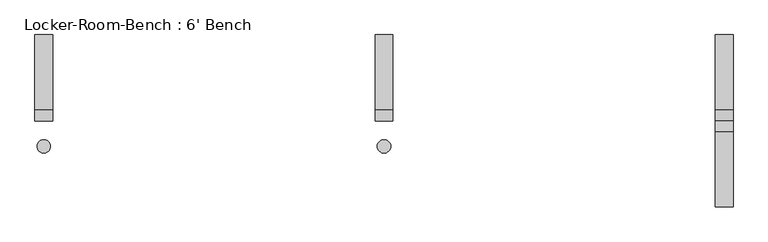
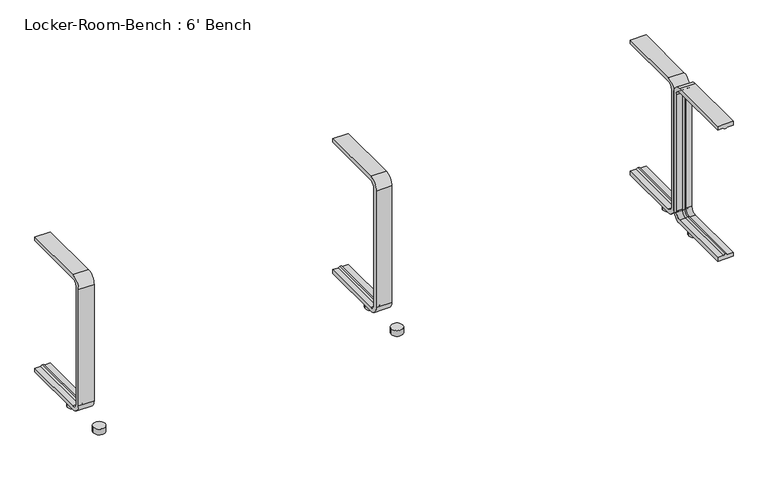
"""IFC4 building model written with IfcOpenShell, lengths in millimetres: proxy geometry, Locker-Room-Bench : 6' Bench."""

from ifc_helpers import new_model, si_unit, point, frame, frame_2d, origin, origin_with_axes, place, context, project, spatial, polyline, circle_curve, ellipse_curve, trimmed, segment, composite_curve, outline, extrude, source, transform, mapped, element, save
from ifc_brep_helpers import plane_surface, cylinder_surface, revolved_surface, advanced_brep


def locker_room_bench_6_bench_7943c223(model_context):
    return source(origin(), model_context, "Body", "SolidModel", [
        extrude(outline(composite_curve([segment(trimmed(circle_curve(frame_2d((764.4, -57.5)), 15.0), [point((749.4, -57.5))], [point((779.4, -57.5))], False, "CARTESIAN"), True, "CONTINUOUS"), segment(trimmed(circle_curve(frame_2d((764.4, -57.5)), 15.0), [point((779.4, -57.5))], [point((749.4, -57.5))], False, "CARTESIAN"), True, "CONTINUOUS")], self_intersect=False)), origin_with_axes(), (0.0, 0.0, 1.0), 15.0),
        extrude(outline(composite_curve([segment(trimmed(circle_curve(frame_2d((764.4, 57.5)), 15.0), [point((749.4, 57.5))], [point((779.4, 57.5))], False, "CARTESIAN"), True, "CONTINUOUS"), segment(trimmed(circle_curve(frame_2d((764.4, 57.5)), 15.0), [point((779.4, 57.5))], [point((749.4, 57.5))], False, "CARTESIAN"), True, "CONTINUOUS")], self_intersect=False)), origin_with_axes(), (0.0, 0.0, 1.0), 15.0),
        extrude(outline(composite_curve([segment(trimmed(circle_curve(frame_2d((0.0, -57.5)), 15.0), [point((-15.0, -57.5))], [point((15.0, -57.5))], False, "CARTESIAN"), True, "CONTINUOUS"), segment(trimmed(circle_curve(frame_2d((0.0, -57.5)), 15.0), [point((15.0, -57.5))], [point((-15.0, -57.5))], False, "CARTESIAN"), True, "CONTINUOUS")], self_intersect=False)), origin_with_axes(), (0.0, 0.0, 1.0), 15.0),
        extrude(outline(composite_curve([segment(trimmed(circle_curve(frame_2d((0.0, 57.5)), 15.0), [point((-15.0, 57.5))], [point((15.0, 57.5))], False, "CARTESIAN"), True, "CONTINUOUS"), segment(trimmed(circle_curve(frame_2d((0.0, 57.5)), 15.0), [point((15.0, 57.5))], [point((-15.0, 57.5))], False, "CARTESIAN"), True, "CONTINUOUS")], self_intersect=False)), origin_with_axes(), (0.0, 0.0, 1.0), 15.0),
        extrude(outline(composite_curve([segment(trimmed(circle_curve(frame_2d((-764.4, -57.5)), 15.0), [point((-779.4, -57.5))], [point((-749.4, -57.5))], False, "CARTESIAN"), True, "CONTINUOUS"), segment(trimmed(circle_curve(frame_2d((-764.4, -57.5)), 15.0), [point((-749.4, -57.5))], [point((-779.4, -57.5))], False, "CARTESIAN"), True, "CONTINUOUS")], self_intersect=False)), origin_with_axes(), (0.0, 0.0, 1.0), 15.0),
        extrude(outline(composite_curve([segment(trimmed(circle_curve(frame_2d((-764.4, 57.5)), 15.0), [point((-779.4, 57.5))], [point((-749.4, 57.5))], False, "CARTESIAN"), True, "CONTINUOUS"), segment(trimmed(circle_curve(frame_2d((-764.4, 57.5)), 15.0), [point((-749.4, 57.5))], [point((-779.4, 57.5))], False, "CARTESIAN"), True, "CONTINUOUS")], self_intersect=False)), origin_with_axes(), (0.0, 0.0, 1.0), 15.0),
        advanced_brep(
        [(784.4, 193.6, 381.4), (784.4, 193.6, 371.4), (769.4, 193.6, 371.4), (764.4, 193.6, 369.0684617), (759.4, 193.6, 371.4), (744.4, 193.6, 371.4), (744.4, 193.6, 381.4), (784.4, 25.0, 381.4), (784.4, 0.0, 356.4), (784.4, 0.0, 40.0), (784.4, 25.0, 15.0), (784.4, 193.6, 15.0), (784.4, 193.6, 25.0), (784.4, 25.0, 25.0), (784.4, 10.0, 40.0), (784.4, 10.0, 356.4), (784.4, 25.0, 371.4), (769.4, 25.0, 371.4), (764.4, 25.0, 369.0684617), (759.4, 25.0, 371.4), (744.4, 25.0, 371.4), (744.4, 10.0, 356.4), (744.4, 10.0, 40.0), (744.4, 25.0, 25.0), (744.4, 193.6, 25.0), (744.4, 193.6, 15.0), (744.4, 25.0, 15.0), (744.4, 0.0, 40.0), (744.4, 0.0, 356.4), (744.4, 25.0, 381.4), (769.4, 10.0, 356.4), (764.4, 12.3315383, 356.4), (759.4, 10.0, 356.4), (769.4, 10.0, 40.0), (764.4, 12.3315383, 40.0), (759.4, 10.0, 40.0), (769.4, 25.0, 25.0), (764.4, 25.0, 27.3315383), (759.4, 25.0, 25.0), (759.4, 193.6, 25.0), (764.4, 193.6, 27.3315383), (769.4, 193.6, 25.0)],
        [
            (0, 1),
            (1, 2),
            (2, 3, circle_curve(frame((764.6996409, 193.6, 374.9529162), z_axis=(0.0, 1.0, 0.0), x_axis=(0.0, 0.0, -1.0)), 5.8920785)),
            (3, 4, circle_curve(frame((764.1003591, 193.6, 374.9529162), z_axis=(0.0, 1.0, 0.0), x_axis=(0.0, 0.0, -1.0)), 5.8920785)),
            (4, 5),
            (5, 6),
            (6, 0),
            (0, 7),
            (7, 8, circle_curve(frame((784.4, 25.0, 356.4), z_axis=(1.0, 0.0, 0.0), x_axis=(0.0, 0.0, 1.0)), 25.0)),
            (8, 9),
            (9, 10, circle_curve(frame((784.4, 25.0, 40.0), z_axis=(1.0, 0.0, 0.0), x_axis=(0.0, -1.0, 0.0)), 25.0)),
            (10, 11),
            (11, 12),
            (12, 13),
            (13, 14, circle_curve(frame((784.4, 25.0, 40.0), z_axis=(-1.0, 0.0, 0.0), x_axis=(0.0, -1.0, 0.0)), 15.0)),
            (14, 15),
            (15, 16, circle_curve(frame((784.4, 25.0, 356.4), z_axis=(-1.0, 0.0, 0.0), x_axis=(0.0, 0.0, 1.0)), 15.0)),
            (16, 1),
            (16, 17),
            (17, 2),
            (17, 18, circle_curve(frame((764.6996409, 25.0, 374.9529162), z_axis=(0.0, 1.0, 0.0), x_axis=(0.0, 0.0, -1.0)), 5.8920785)),
            (18, 3),
            (18, 19, circle_curve(frame((764.1003591, 25.0, 374.9529162), z_axis=(0.0, 1.0, 0.0), x_axis=(0.0, 0.0, -1.0)), 5.8920785)),
            (19, 4),
            (19, 20),
            (20, 5),
            (20, 21, circle_curve(frame((744.4, 25.0, 356.4), z_axis=(1.0, 0.0, 0.0), x_axis=(0.0, 0.0, 1.0)), 15.0)),
            (21, 22),
            (22, 23, circle_curve(frame((744.4, 25.0, 40.0), z_axis=(1.0, 0.0, 0.0), x_axis=(0.0, -1.0, 0.0)), 15.0)),
            (23, 24),
            (24, 25),
            (25, 26),
            (26, 27, circle_curve(frame((744.4, 25.0, 40.0), z_axis=(-1.0, 0.0, 0.0), x_axis=(0.0, -1.0, 0.0)), 25.0)),
            (27, 28),
            (28, 29, circle_curve(frame((744.4, 25.0, 356.4), z_axis=(-1.0, 0.0, 0.0), x_axis=(0.0, 0.0, 1.0)), 25.0)),
            (29, 6),
            (29, 7),
            (30, 17, circle_curve(frame((769.4, 25.0, 356.4), z_axis=(-1.0, 0.0, 0.0), x_axis=(0.0, 0.0, 1.0)), 15.0)),
            (15, 30),
            (31, 18, circle_curve(frame((764.4, 25.0, 356.4), z_axis=(-1.0, 0.0, 0.0), x_axis=(0.0, 0.0, 1.0)), 12.6684617)),
            (30, 31, circle_curve(frame((764.6996409, 6.4470838, 356.4), z_axis=(0.0, 0.0, 1.0), x_axis=(0.0, 1.0, 0.0)), 5.8920785)),
            (32, 19, circle_curve(frame((759.4, 25.0, 356.4), z_axis=(-1.0, 0.0, 0.0), x_axis=(0.0, 0.0, 1.0)), 15.0)),
            (31, 32, circle_curve(frame((764.1003591, 6.4470838, 356.4), z_axis=(0.0, 0.0, 1.0), x_axis=(0.0, 1.0, 0.0)), 5.8920785)),
            (32, 21),
            (28, 8),
            (14, 33),
            (33, 30),
            (33, 34, circle_curve(frame((764.6996409, 6.4470838, 40.0), z_axis=(0.0, 0.0, 1.0), x_axis=(0.0, 1.0, 0.0)), 5.8920785)),
            (34, 31),
            (34, 35, circle_curve(frame((764.1003591, 6.4470838, 40.0), z_axis=(0.0, 0.0, 1.0), x_axis=(0.0, 1.0, 0.0)), 5.8920785)),
            (35, 32),
            (35, 22),
            (27, 9),
            (36, 33, circle_curve(frame((769.4, 25.0, 40.0), z_axis=(-1.0, 0.0, 0.0), x_axis=(0.0, -1.0, 0.0)), 15.0)),
            (13, 36),
            (37, 34, circle_curve(frame((764.4, 25.0, 40.0), z_axis=(-1.0, 0.0, 0.0), x_axis=(0.0, -1.0, 0.0)), 12.6684617)),
            (36, 37, circle_curve(frame((764.6996409, 25.0, 21.4470838), z_axis=(0.0, -1.0, 0.0), x_axis=(0.0, 0.0, 1.0)), 5.8920785)),
            (38, 35, circle_curve(frame((759.4, 25.0, 40.0), z_axis=(-1.0, 0.0, 0.0), x_axis=(0.0, -1.0, 0.0)), 15.0)),
            (37, 38, circle_curve(frame((764.1003591, 25.0, 21.4470838), z_axis=(0.0, -1.0, 0.0), x_axis=(0.0, 0.0, 1.0)), 5.8920785)),
            (38, 23),
            (26, 10),
            (11, 25),
            (24, 39),
            (39, 40, circle_curve(frame((764.1003591, 193.6, 21.4470838), z_axis=(0.0, 1.0, 0.0), x_axis=(0.0, 0.0, 1.0)), 5.8920785)),
            (40, 41, circle_curve(frame((764.6996409, 193.6, 21.4470838), z_axis=(0.0, 1.0, 0.0), x_axis=(0.0, 0.0, 1.0)), 5.8920785)),
            (41, 12),
            (41, 36),
            (40, 37),
            (39, 38),
        ],
        [
            plane_surface(frame((764.4, 193.6, 381.4), z_axis=(0.0, 1.0, 0.0), x_axis=(1.0, 0.0, 0.0))),
            plane_surface(frame((784.4, 193.6, 381.4), z_axis=(1.0, 0.0, 0.0), x_axis=(0.0, -1.0, 0.0))),
            plane_surface(frame((784.4, 193.6, 371.4), z_axis=(0.0, 0.0, -1.0), x_axis=(0.0, -1.0, 0.0))),
            cylinder_surface(frame((764.6996409, 193.6, 374.9529162), z_axis=(0.0, 1.0, 0.0), x_axis=(0.0, 0.0, -1.0)), 5.8920785),
            cylinder_surface(frame((764.1003591, 193.6, 374.9529162), z_axis=(0.0, 1.0, 0.0), x_axis=(0.0, 0.0, -1.0)), 5.8920785),
            plane_surface(frame((759.4, 193.6, 371.4), z_axis=(0.0, 0.0, -1.0), x_axis=(0.0, -1.0, 0.0))),
            plane_surface(frame((744.4, 193.6, 371.4), z_axis=(-1.0, 0.0, 0.0), x_axis=(0.0, -1.0, 0.0))),
            plane_surface(frame((744.4, 193.6, 381.4), z_axis=(0.0, 0.0, 1.0), x_axis=(0.0, -1.0, 0.0))),
            revolved_surface(polyline([(784.4, 25.0, 371.4), (769.4, 25.0, 371.4)]), (764.4, 25.0, 356.4), (1.0, 0.0, 0.0)),
            revolved_surface(trimmed(ellipse_curve(frame((764.6996409, 25.0, 374.9529162), z_axis=(0.0, 1.0, 0.0), x_axis=(0.0, 0.0, -1.0)), 5.8920785, 5.8920785), [point((769.4, 25.0, 371.4))], [point((764.4, 25.0, 369.0684617))], True, "CARTESIAN"), (764.4, 25.0, 356.4), (1.0, 0.0, 0.0)),
            revolved_surface(trimmed(ellipse_curve(frame((764.1003591, 25.0, 374.9529162), z_axis=(0.0, 1.0, 0.0), x_axis=(0.0, 0.0, -1.0)), 5.8920785, 5.8920785), [point((764.4, 25.0, 369.0684617))], [point((759.4, 25.0, 371.4))], True, "CARTESIAN"), (764.4, 25.0, 356.4), (1.0, 0.0, 0.0)),
            revolved_surface(polyline([(759.4, 25.0, 371.4), (744.4, 25.0, 371.4)]), (764.4, 25.0, 356.4), (1.0, 0.0, 0.0)),
            cylinder_surface(frame((764.4, 25.0, 356.4), z_axis=(1.0, 0.0, 0.0), x_axis=(0.0, 0.0, 1.0)), 25.0),
            plane_surface(frame((784.4, 10.0, 356.4), z_axis=(0.0, 1.0, 0.0), x_axis=(0.0, 0.0, -1.0))),
            cylinder_surface(frame((764.6996409, 6.4470838, 356.4), z_axis=(0.0, 0.0, 1.0), x_axis=(0.0, 1.0, 0.0)), 5.8920785),
            cylinder_surface(frame((764.1003591, 6.4470838, 356.4), z_axis=(0.0, 0.0, 1.0), x_axis=(0.0, 1.0, 0.0)), 5.8920785),
            plane_surface(frame((759.4, 10.0, 356.4), z_axis=(0.0, 1.0, 0.0), x_axis=(0.0, 0.0, -1.0))),
            plane_surface(frame((744.4, 0.0, 356.4), z_axis=(0.0, -1.0, 0.0), x_axis=(0.0, 0.0, -1.0))),
            revolved_surface(polyline([(784.4, 10.0, 40.0), (769.4, 10.0, 40.0)]), (764.4, 25.0, 40.0), (1.0, 0.0, 0.0)),
            revolved_surface(trimmed(ellipse_curve(frame((764.6996409, 6.4470838, 40.0), z_axis=(0.0, 0.0, 1.0), x_axis=(0.0, 1.0, 0.0)), 5.8920785, 5.8920785), [point((769.4, 10.0, 40.0))], [point((764.4, 12.3315383, 40.0))], True, "CARTESIAN"), (764.4, 25.0, 40.0), (1.0, 0.0, 0.0)),
            revolved_surface(trimmed(ellipse_curve(frame((764.1003591, 6.4470838, 40.0), z_axis=(0.0, 0.0, 1.0), x_axis=(0.0, 1.0, 0.0)), 5.8920785, 5.8920785), [point((764.4, 12.3315383, 40.0))], [point((759.4, 10.0, 40.0))], True, "CARTESIAN"), (764.4, 25.0, 40.0), (1.0, 0.0, 0.0)),
            revolved_surface(polyline([(759.4, 10.0, 40.0), (744.4, 10.0, 40.0)]), (764.4, 25.0, 40.0), (1.0, 0.0, 0.0)),
            cylinder_surface(frame((764.4, 25.0, 40.0), z_axis=(1.0, 0.0, 0.0), x_axis=(0.0, -1.0, 0.0)), 25.0),
            plane_surface(frame((764.4, 193.6, 15.0), z_axis=(0.0, 1.0, 0.0), x_axis=(1.0, 0.0, 0.0))),
            plane_surface(frame((784.4, 25.0, 25.0), z_axis=(0.0, 0.0, 1.0), x_axis=(0.0, 1.0, 0.0))),
            cylinder_surface(frame((764.6996409, 25.0, 21.4470838), z_axis=(0.0, -1.0, 0.0), x_axis=(0.0, 0.0, 1.0)), 5.8920785),
            cylinder_surface(frame((764.1003591, 25.0, 21.4470838), z_axis=(0.0, -1.0, 0.0), x_axis=(0.0, 0.0, 1.0)), 5.8920785),
            plane_surface(frame((759.4, 25.0, 25.0), z_axis=(0.0, 0.0, 1.0), x_axis=(0.0, 1.0, 0.0))),
            plane_surface(frame((744.4, 25.0, 15.0), z_axis=(0.0, 0.0, -1.0), x_axis=(0.0, 1.0, 0.0))),
        ],
        [
            (0, [[1, 2, 3, 4, 5, 6, 7]]),
            (1, [[-1, 8, 9, 10, 11, 12, 13, 14, 15, 16, 17, 18]]),
            (2, [[-2, -18, 19, 20]]),
            (3, [[-3, -20, 21, 22]]),
            (4, [[-4, -22, 23, 24]]),
            (5, [[-5, -24, 25, 26]]),
            (6, [[-6, -26, 27, 28, 29, 30, 31, 32, 33, 34, 35, 36]]),
            (7, [[-7, -36, 37, -8]]),
            (8, [[38, -19, -17, 39]]),
            (9, [[40, -21, -38, 41]]),
            (10, [[42, -23, -40, 43]]),
            (11, [[-27, -25, -42, 44]]),
            (12, [[-9, -37, -35, 45]]),
            (13, [[-39, -16, 46, 47]]),
            (14, [[-41, -47, 48, 49]]),
            (15, [[-43, -49, 50, 51]]),
            (16, [[-44, -51, 52, -28]]),
            (17, [[-45, -34, 53, -10]]),
            (18, [[54, -46, -15, 55]]),
            (19, [[56, -48, -54, 57]]),
            (20, [[58, -50, -56, 59]]),
            (21, [[-29, -52, -58, 60]]),
            (22, [[-11, -53, -33, 61]]),
            (23, [[62, -31, 63, 64, 65, 66, -13]]),
            (24, [[-55, -14, -66, 67]]),
            (25, [[-57, -67, -65, 68]]),
            (26, [[-59, -68, -64, 69]]),
            (27, [[-60, -69, -63, -30]]),
            (28, [[-61, -32, -62, -12]]),
        ],
    ),
        advanced_brep(
        [(20.0, 193.6, 381.4), (20.0, 193.6, 371.4), (5.0, 193.6, 371.4), (0.0, 193.6, 369.0684617), (-5.0, 193.6, 371.4), (-20.0, 193.6, 371.4), (-20.0, 193.6, 381.4), (20.0, 25.0, 381.4), (20.0, 0.0, 356.4), (20.0, 0.0, 40.0), (20.0, 25.0, 15.0), (20.0, 193.6, 15.0), (20.0, 193.6, 25.0), (20.0, 25.0, 25.0), (20.0, 10.0, 40.0), (20.0, 10.0, 356.4), (20.0, 25.0, 371.4), (5.0, 25.0, 371.4), (0.0, 25.0, 369.0684617), (-5.0, 25.0, 371.4), (-20.0, 25.0, 371.4), (-20.0, 10.0, 356.4), (-20.0, 10.0, 40.0), (-20.0, 25.0, 25.0), (-20.0, 193.6, 25.0), (-20.0, 193.6, 15.0), (-20.0, 25.0, 15.0), (-20.0, 0.0, 40.0), (-20.0, 0.0, 356.4), (-20.0, 25.0, 381.4), (5.0, 10.0, 356.4), (0.0, 12.3315383, 356.4), (-5.0, 10.0, 356.4), (5.0, 10.0, 40.0), (0.0, 12.3315383, 40.0), (-5.0, 10.0, 40.0), (5.0, 25.0, 25.0), (0.0, 25.0, 27.3315383), (-5.0, 25.0, 25.0), (-5.0, 193.6, 25.0), (0.0, 193.6, 27.3315383), (5.0, 193.6, 25.0)],
        [
            (0, 1),
            (1, 2),
            (2, 3, circle_curve(frame((0.2996409, 193.6, 374.9529162), z_axis=(0.0, 1.0, 0.0), x_axis=(0.0, 0.0, -1.0)), 5.8920785)),
            (3, 4, circle_curve(frame((-0.2996409, 193.6, 374.9529162), z_axis=(0.0, 1.0, 0.0), x_axis=(0.0, 0.0, -1.0)), 5.8920785)),
            (4, 5),
            (5, 6),
            (6, 0),
            (0, 7),
            (7, 8, circle_curve(frame((20.0, 25.0, 356.4), z_axis=(1.0, 0.0, 0.0), x_axis=(0.0, 0.0, 1.0)), 25.0)),
            (8, 9),
            (9, 10, circle_curve(frame((20.0, 25.0, 40.0), z_axis=(1.0, 0.0, 0.0), x_axis=(0.0, -1.0, 0.0)), 25.0)),
            (10, 11),
            (11, 12),
            (12, 13),
            (13, 14, circle_curve(frame((20.0, 25.0, 40.0), z_axis=(-1.0, 0.0, 0.0), x_axis=(0.0, -1.0, 0.0)), 15.0)),
            (14, 15),
            (15, 16, circle_curve(frame((20.0, 25.0, 356.4), z_axis=(-1.0, 0.0, 0.0), x_axis=(0.0, 0.0, 1.0)), 15.0)),
            (16, 1),
            (16, 17),
            (17, 2),
            (17, 18, circle_curve(frame((0.2996409, 25.0, 374.9529162), z_axis=(0.0, 1.0, 0.0), x_axis=(0.0, 0.0, -1.0)), 5.8920785)),
            (18, 3),
            (18, 19, circle_curve(frame((-0.2996409, 25.0, 374.9529162), z_axis=(0.0, 1.0, 0.0), x_axis=(0.0, 0.0, -1.0)), 5.8920785)),
            (19, 4),
            (19, 20),
            (20, 5),
            (20, 21, circle_curve(frame((-20.0, 25.0, 356.4), z_axis=(1.0, 0.0, 0.0), x_axis=(0.0, 0.0, 1.0)), 15.0)),
            (21, 22),
            (22, 23, circle_curve(frame((-20.0, 25.0, 40.0), z_axis=(1.0, 0.0, 0.0), x_axis=(0.0, -1.0, 0.0)), 15.0)),
            (23, 24),
            (24, 25),
            (25, 26),
            (26, 27, circle_curve(frame((-20.0, 25.0, 40.0), z_axis=(-1.0, 0.0, 0.0), x_axis=(0.0, -1.0, 0.0)), 25.0)),
            (27, 28),
            (28, 29, circle_curve(frame((-20.0, 25.0, 356.4), z_axis=(-1.0, 0.0, 0.0), x_axis=(0.0, 0.0, 1.0)), 25.0)),
            (29, 6),
            (29, 7),
            (30, 17, circle_curve(frame((5.0, 25.0, 356.4), z_axis=(-1.0, 0.0, 0.0), x_axis=(0.0, 0.0, 1.0)), 15.0)),
            (15, 30),
            (31, 18, circle_curve(frame((0.0, 25.0, 356.4), z_axis=(-1.0, 0.0, 0.0), x_axis=(0.0, 0.0, 1.0)), 12.6684617)),
            (30, 31, circle_curve(frame((0.2996409, 6.4470838, 356.4), z_axis=(0.0, 0.0, 1.0), x_axis=(0.0, 1.0, 0.0)), 5.8920785)),
            (32, 19, circle_curve(frame((-5.0, 25.0, 356.4), z_axis=(-1.0, 0.0, 0.0), x_axis=(0.0, 0.0, 1.0)), 15.0)),
            (31, 32, circle_curve(frame((-0.2996409, 6.4470838, 356.4), z_axis=(0.0, 0.0, 1.0), x_axis=(0.0, 1.0, 0.0)), 5.8920785)),
            (32, 21),
            (28, 8),
            (14, 33),
            (33, 30),
            (33, 34, circle_curve(frame((0.2996409, 6.4470838, 40.0), z_axis=(0.0, 0.0, 1.0), x_axis=(0.0, 1.0, 0.0)), 5.8920785)),
            (34, 31),
            (34, 35, circle_curve(frame((-0.2996409, 6.4470838, 40.0), z_axis=(0.0, 0.0, 1.0), x_axis=(0.0, 1.0, 0.0)), 5.8920785)),
            (35, 32),
            (35, 22),
            (27, 9),
            (36, 33, circle_curve(frame((5.0, 25.0, 40.0), z_axis=(-1.0, 0.0, 0.0), x_axis=(0.0, -1.0, 0.0)), 15.0)),
            (13, 36),
            (37, 34, circle_curve(frame((0.0, 25.0, 40.0), z_axis=(-1.0, 0.0, 0.0), x_axis=(0.0, -1.0, 0.0)), 12.6684617)),
            (36, 37, circle_curve(frame((0.2996409, 25.0, 21.4470838), z_axis=(0.0, -1.0, 0.0), x_axis=(0.0, 0.0, 1.0)), 5.8920785)),
            (38, 35, circle_curve(frame((-5.0, 25.0, 40.0), z_axis=(-1.0, 0.0, 0.0), x_axis=(0.0, -1.0, 0.0)), 15.0)),
            (37, 38, circle_curve(frame((-0.2996409, 25.0, 21.4470838), z_axis=(0.0, -1.0, 0.0), x_axis=(0.0, 0.0, 1.0)), 5.8920785)),
            (38, 23),
            (26, 10),
            (11, 25),
            (24, 39),
            (39, 40, circle_curve(frame((-0.2996409, 193.6, 21.4470838), z_axis=(0.0, 1.0, 0.0), x_axis=(0.0, 0.0, 1.0)), 5.8920785)),
            (40, 41, circle_curve(frame((0.2996409, 193.6, 21.4470838), z_axis=(0.0, 1.0, 0.0), x_axis=(0.0, 0.0, 1.0)), 5.8920785)),
            (41, 12),
            (41, 36),
            (40, 37),
            (39, 38),
        ],
        [
            plane_surface(frame((0.0, 193.6, 381.4), z_axis=(0.0, 1.0, 0.0), x_axis=(1.0, 0.0, 0.0))),
            plane_surface(frame((20.0, 193.6, 381.4), z_axis=(1.0, 0.0, 0.0), x_axis=(0.0, -1.0, 0.0))),
            plane_surface(frame((20.0, 193.6, 371.4), z_axis=(0.0, 0.0, -1.0), x_axis=(0.0, -1.0, 0.0))),
            cylinder_surface(frame((0.2996409, 193.6, 374.9529162), z_axis=(0.0, 1.0, 0.0), x_axis=(0.0, 0.0, -1.0)), 5.8920785),
            cylinder_surface(frame((-0.2996409, 193.6, 374.9529162), z_axis=(0.0, 1.0, 0.0), x_axis=(0.0, 0.0, -1.0)), 5.8920785),
            plane_surface(frame((-5.0, 193.6, 371.4), z_axis=(0.0, 0.0, -1.0), x_axis=(0.0, -1.0, 0.0))),
            plane_surface(frame((-20.0, 193.6, 371.4), z_axis=(-1.0, 0.0, 0.0), x_axis=(0.0, -1.0, 0.0))),
            plane_surface(frame((-20.0, 193.6, 381.4), z_axis=(0.0, 0.0, 1.0), x_axis=(0.0, -1.0, 0.0))),
            revolved_surface(polyline([(20.0, 25.0, 371.4), (5.0, 25.0, 371.4)]), (0.0, 25.0, 356.4), (1.0, 0.0, 0.0)),
            revolved_surface(trimmed(ellipse_curve(frame((0.2996409, 25.0, 374.9529162), z_axis=(0.0, 1.0, 0.0), x_axis=(0.0, 0.0, -1.0)), 5.8920785, 5.8920785), [point((5.0, 25.0, 371.4))], [point((0.0, 25.0, 369.0684617))], True, "CARTESIAN"), (0.0, 25.0, 356.4), (1.0, 0.0, 0.0)),
            revolved_surface(trimmed(ellipse_curve(frame((-0.2996409, 25.0, 374.9529162), z_axis=(0.0, 1.0, 0.0), x_axis=(0.0, 0.0, -1.0)), 5.8920785, 5.8920785), [point((0.0, 25.0, 369.0684617))], [point((-5.0, 25.0, 371.4))], True, "CARTESIAN"), (0.0, 25.0, 356.4), (1.0, 0.0, 0.0)),
            revolved_surface(polyline([(-5.0, 25.0, 371.4), (-20.0, 25.0, 371.4)]), (0.0, 25.0, 356.4), (1.0, 0.0, 0.0)),
            cylinder_surface(frame((0.0, 25.0, 356.4), z_axis=(1.0, 0.0, 0.0), x_axis=(0.0, 0.0, 1.0)), 25.0),
            plane_surface(frame((20.0, 10.0, 356.4), z_axis=(0.0, 1.0, 0.0), x_axis=(0.0, 0.0, -1.0))),
            cylinder_surface(frame((0.2996409, 6.4470838, 356.4), z_axis=(0.0, 0.0, 1.0), x_axis=(0.0, 1.0, 0.0)), 5.8920785),
            cylinder_surface(frame((-0.2996409, 6.4470838, 356.4), z_axis=(0.0, 0.0, 1.0), x_axis=(0.0, 1.0, 0.0)), 5.8920785),
            plane_surface(frame((-5.0, 10.0, 356.4), z_axis=(0.0, 1.0, 0.0), x_axis=(0.0, 0.0, -1.0))),
            plane_surface(frame((-20.0, 0.0, 356.4), z_axis=(0.0, -1.0, 0.0), x_axis=(0.0, 0.0, -1.0))),
            revolved_surface(polyline([(20.0, 10.0, 40.0), (5.0, 10.0, 40.0)]), (0.0, 25.0, 40.0), (1.0, 0.0, 0.0)),
            revolved_surface(trimmed(ellipse_curve(frame((0.2996409, 6.4470838, 40.0), z_axis=(0.0, 0.0, 1.0), x_axis=(0.0, 1.0, 0.0)), 5.8920785, 5.8920785), [point((5.0, 10.0, 40.0))], [point((0.0, 12.3315383, 40.0))], True, "CARTESIAN"), (0.0, 25.0, 40.0), (1.0, 0.0, 0.0)),
            revolved_surface(trimmed(ellipse_curve(frame((-0.2996409, 6.4470838, 40.0), z_axis=(0.0, 0.0, 1.0), x_axis=(0.0, 1.0, 0.0)), 5.8920785, 5.8920785), [point((0.0, 12.3315383, 40.0))], [point((-5.0, 10.0, 40.0))], True, "CARTESIAN"), (0.0, 25.0, 40.0), (1.0, 0.0, 0.0)),
            revolved_surface(polyline([(-5.0, 10.0, 40.0), (-20.0, 10.0, 40.0)]), (0.0, 25.0, 40.0), (1.0, 0.0, 0.0)),
            cylinder_surface(frame((0.0, 25.0, 40.0), z_axis=(1.0, 0.0, 0.0), x_axis=(0.0, -1.0, 0.0)), 25.0),
            plane_surface(frame((0.0, 193.6, 15.0), z_axis=(0.0, 1.0, 0.0), x_axis=(1.0, 0.0, 0.0))),
            plane_surface(frame((20.0, 25.0, 25.0), z_axis=(0.0, 0.0, 1.0), x_axis=(0.0, 1.0, 0.0))),
            cylinder_surface(frame((0.2996409, 25.0, 21.4470838), z_axis=(0.0, -1.0, 0.0), x_axis=(0.0, 0.0, 1.0)), 5.8920785),
            cylinder_surface(frame((-0.2996409, 25.0, 21.4470838), z_axis=(0.0, -1.0, 0.0), x_axis=(0.0, 0.0, 1.0)), 5.8920785),
            plane_surface(frame((-5.0, 25.0, 25.0), z_axis=(0.0, 0.0, 1.0), x_axis=(0.0, 1.0, 0.0))),
            plane_surface(frame((-20.0, 25.0, 15.0), z_axis=(0.0, 0.0, -1.0), x_axis=(0.0, 1.0, 0.0))),
        ],
        [
            (0, [[1, 2, 3, 4, 5, 6, 7]]),
            (1, [[-1, 8, 9, 10, 11, 12, 13, 14, 15, 16, 17, 18]]),
            (2, [[-2, -18, 19, 20]]),
            (3, [[-3, -20, 21, 22]]),
            (4, [[-4, -22, 23, 24]]),
            (5, [[-5, -24, 25, 26]]),
            (6, [[-6, -26, 27, 28, 29, 30, 31, 32, 33, 34, 35, 36]]),
            (7, [[-7, -36, 37, -8]]),
            (8, [[38, -19, -17, 39]]),
            (9, [[40, -21, -38, 41]]),
            (10, [[42, -23, -40, 43]]),
            (11, [[-27, -25, -42, 44]]),
            (12, [[-9, -37, -35, 45]]),
            (13, [[-39, -16, 46, 47]]),
            (14, [[-41, -47, 48, 49]]),
            (15, [[-43, -49, 50, 51]]),
            (16, [[-44, -51, 52, -28]]),
            (17, [[-45, -34, 53, -10]]),
            (18, [[54, -46, -15, 55]]),
            (19, [[56, -48, -54, 57]]),
            (20, [[58, -50, -56, 59]]),
            (21, [[-29, -52, -58, 60]]),
            (22, [[-11, -53, -33, 61]]),
            (23, [[62, -31, 63, 64, 65, 66, -13]]),
            (24, [[-55, -14, -66, 67]]),
            (25, [[-57, -67, -65, 68]]),
            (26, [[-59, -68, -64, 69]]),
            (27, [[-60, -69, -63, -30]]),
            (28, [[-61, -32, -62, -12]]),
        ],
    ),
        advanced_brep(
        [(-744.4, 193.6, 381.4), (-744.4, 193.6, 371.4), (-759.4, 193.6, 371.4), (-764.4, 193.6, 369.0684617), (-769.4, 193.6, 371.4), (-784.4, 193.6, 371.4), (-784.4, 193.6, 381.4), (-744.4, 25.0, 381.4), (-744.4, 0.0, 356.4), (-744.4, 0.0, 40.0), (-744.4, 25.0, 15.0), (-744.4, 193.6, 15.0), (-744.4, 193.6, 25.0), (-744.4, 25.0, 25.0), (-744.4, 10.0, 40.0), (-744.4, 10.0, 356.4), (-744.4, 25.0, 371.4), (-759.4, 25.0, 371.4), (-764.4, 25.0, 369.0684617), (-769.4, 25.0, 371.4), (-784.4, 25.0, 371.4), (-784.4, 10.0, 356.4), (-784.4, 10.0, 40.0), (-784.4, 25.0, 25.0), (-784.4, 193.6, 25.0), (-784.4, 193.6, 15.0), (-784.4, 25.0, 15.0), (-784.4, 0.0, 40.0), (-784.4, 0.0, 356.4), (-784.4, 25.0, 381.4), (-759.4, 10.0, 356.4), (-764.4, 12.3315383, 356.4), (-769.4, 10.0, 356.4), (-759.4, 10.0, 40.0), (-764.4, 12.3315383, 40.0), (-769.4, 10.0, 40.0), (-759.4, 25.0, 25.0), (-764.4, 25.0, 27.3315383), (-769.4, 25.0, 25.0), (-769.4, 193.6, 25.0), (-764.4, 193.6, 27.3315383), (-759.4, 193.6, 25.0)],
        [
            (0, 1),
            (1, 2),
            (2, 3, circle_curve(frame((-764.1003591, 193.6, 374.9529162), z_axis=(0.0, 1.0, 0.0), x_axis=(0.0, 0.0, -1.0)), 5.8920785)),
            (3, 4, circle_curve(frame((-764.6996409, 193.6, 374.9529162), z_axis=(0.0, 1.0, 0.0), x_axis=(0.0, 0.0, -1.0)), 5.8920785)),
            (4, 5),
            (5, 6),
            (6, 0),
            (0, 7),
            (7, 8, circle_curve(frame((-744.4, 25.0, 356.4), z_axis=(1.0, 0.0, 0.0), x_axis=(0.0, 0.0, 1.0)), 25.0)),
            (8, 9),
            (9, 10, circle_curve(frame((-744.4, 25.0, 40.0), z_axis=(1.0, 0.0, 0.0), x_axis=(0.0, -1.0, 0.0)), 25.0)),
            (10, 11),
            (11, 12),
            (12, 13),
            (13, 14, circle_curve(frame((-744.4, 25.0, 40.0), z_axis=(-1.0, 0.0, 0.0), x_axis=(0.0, -1.0, 0.0)), 15.0)),
            (14, 15),
            (15, 16, circle_curve(frame((-744.4, 25.0, 356.4), z_axis=(-1.0, 0.0, 0.0), x_axis=(0.0, 0.0, 1.0)), 15.0)),
            (16, 1),
            (16, 17),
            (17, 2),
            (17, 18, circle_curve(frame((-764.1003591, 25.0, 374.9529162), z_axis=(0.0, 1.0, 0.0), x_axis=(0.0, 0.0, -1.0)), 5.8920785)),
            (18, 3),
            (18, 19, circle_curve(frame((-764.6996409, 25.0, 374.9529162), z_axis=(0.0, 1.0, 0.0), x_axis=(0.0, 0.0, -1.0)), 5.8920785)),
            (19, 4),
            (19, 20),
            (20, 5),
            (20, 21, circle_curve(frame((-784.4, 25.0, 356.4), z_axis=(1.0, 0.0, 0.0), x_axis=(0.0, 0.0, 1.0)), 15.0)),
            (21, 22),
            (22, 23, circle_curve(frame((-784.4, 25.0, 40.0), z_axis=(1.0, 0.0, 0.0), x_axis=(0.0, -1.0, 0.0)), 15.0)),
            (23, 24),
            (24, 25),
            (25, 26),
            (26, 27, circle_curve(frame((-784.4, 25.0, 40.0), z_axis=(-1.0, 0.0, 0.0), x_axis=(0.0, -1.0, 0.0)), 25.0)),
            (27, 28),
            (28, 29, circle_curve(frame((-784.4, 25.0, 356.4), z_axis=(-1.0, 0.0, 0.0), x_axis=(0.0, 0.0, 1.0)), 25.0)),
            (29, 6),
            (29, 7),
            (30, 17, circle_curve(frame((-759.4, 25.0, 356.4), z_axis=(-1.0, 0.0, 0.0), x_axis=(0.0, 0.0, 1.0)), 15.0)),
            (15, 30),
            (31, 18, circle_curve(frame((-764.4, 25.0, 356.4), z_axis=(-1.0, 0.0, 0.0), x_axis=(0.0, 0.0, 1.0)), 12.6684617)),
            (30, 31, circle_curve(frame((-764.1003591, 6.4470838, 356.4), z_axis=(0.0, 0.0, 1.0), x_axis=(0.0, 1.0, 0.0)), 5.8920785)),
            (32, 19, circle_curve(frame((-769.4, 25.0, 356.4), z_axis=(-1.0, 0.0, 0.0), x_axis=(0.0, 0.0, 1.0)), 15.0)),
            (31, 32, circle_curve(frame((-764.6996409, 6.4470838, 356.4), z_axis=(0.0, 0.0, 1.0), x_axis=(0.0, 1.0, 0.0)), 5.8920785)),
            (32, 21),
            (28, 8),
            (14, 33),
            (33, 30),
            (33, 34, circle_curve(frame((-764.1003591, 6.4470838, 40.0), z_axis=(0.0, 0.0, 1.0), x_axis=(0.0, 1.0, 0.0)), 5.8920785)),
            (34, 31),
            (34, 35, circle_curve(frame((-764.6996409, 6.4470838, 40.0), z_axis=(0.0, 0.0, 1.0), x_axis=(0.0, 1.0, 0.0)), 5.8920785)),
            (35, 32),
            (35, 22),
            (27, 9),
            (36, 33, circle_curve(frame((-759.4, 25.0, 40.0), z_axis=(-1.0, 0.0, 0.0), x_axis=(0.0, -1.0, 0.0)), 15.0)),
            (13, 36),
            (37, 34, circle_curve(frame((-764.4, 25.0, 40.0), z_axis=(-1.0, 0.0, 0.0), x_axis=(0.0, -1.0, 0.0)), 12.6684617)),
            (36, 37, circle_curve(frame((-764.1003591, 25.0, 21.4470838), z_axis=(0.0, -1.0, 0.0), x_axis=(0.0, 0.0, 1.0)), 5.8920785)),
            (38, 35, circle_curve(frame((-769.4, 25.0, 40.0), z_axis=(-1.0, 0.0, 0.0), x_axis=(0.0, -1.0, 0.0)), 15.0)),
            (37, 38, circle_curve(frame((-764.6996409, 25.0, 21.4470838), z_axis=(0.0, -1.0, 0.0), x_axis=(0.0, 0.0, 1.0)), 5.8920785)),
            (38, 23),
            (26, 10),
            (11, 25),
            (24, 39),
            (39, 40, circle_curve(frame((-764.6996409, 193.6, 21.4470838), z_axis=(0.0, 1.0, 0.0), x_axis=(0.0, 0.0, 1.0)), 5.8920785)),
            (40, 41, circle_curve(frame((-764.1003591, 193.6, 21.4470838), z_axis=(0.0, 1.0, 0.0), x_axis=(0.0, 0.0, 1.0)), 5.8920785)),
            (41, 12),
            (41, 36),
            (40, 37),
            (39, 38),
        ],
        [
            plane_surface(frame((-764.4, 193.6, 381.4), z_axis=(0.0, 1.0, 0.0), x_axis=(1.0, 0.0, 0.0))),
            plane_surface(frame((-744.4, 193.6, 381.4), z_axis=(1.0, 0.0, 0.0), x_axis=(0.0, -1.0, 0.0))),
            plane_surface(frame((-744.4, 193.6, 371.4), z_axis=(0.0, 0.0, -1.0), x_axis=(0.0, -1.0, 0.0))),
            cylinder_surface(frame((-764.1003591, 193.6, 374.9529162), z_axis=(0.0, 1.0, 0.0), x_axis=(0.0, 0.0, -1.0)), 5.8920785),
            cylinder_surface(frame((-764.6996409, 193.6, 374.9529162), z_axis=(0.0, 1.0, 0.0), x_axis=(0.0, 0.0, -1.0)), 5.8920785),
            plane_surface(frame((-769.4, 193.6, 371.4), z_axis=(0.0, 0.0, -1.0), x_axis=(0.0, -1.0, 0.0))),
            plane_surface(frame((-784.4, 193.6, 371.4), z_axis=(-1.0, 0.0, 0.0), x_axis=(0.0, -1.0, 0.0))),
            plane_surface(frame((-784.4, 193.6, 381.4), z_axis=(0.0, 0.0, 1.0), x_axis=(0.0, -1.0, 0.0))),
            revolved_surface(polyline([(-744.4, 25.0, 371.4), (-759.4, 25.0, 371.4)]), (-764.4, 25.0, 356.4), (1.0, 0.0, 0.0)),
            revolved_surface(trimmed(ellipse_curve(frame((-764.1003591, 25.0, 374.9529162), z_axis=(0.0, 1.0, 0.0), x_axis=(0.0, 0.0, -1.0)), 5.8920785, 5.8920785), [point((-759.4, 25.0, 371.4))], [point((-764.4, 25.0, 369.0684617))], True, "CARTESIAN"), (-764.4, 25.0, 356.4), (1.0, 0.0, 0.0)),
            revolved_surface(trimmed(ellipse_curve(frame((-764.6996409, 25.0, 374.9529162), z_axis=(0.0, 1.0, 0.0), x_axis=(0.0, 0.0, -1.0)), 5.8920785, 5.8920785), [point((-764.4, 25.0, 369.0684617))], [point((-769.4, 25.0, 371.4))], True, "CARTESIAN"), (-764.4, 25.0, 356.4), (1.0, 0.0, 0.0)),
            revolved_surface(polyline([(-769.4, 25.0, 371.4), (-784.4, 25.0, 371.4)]), (-764.4, 25.0, 356.4), (1.0, 0.0, 0.0)),
            cylinder_surface(frame((-764.4, 25.0, 356.4), z_axis=(1.0, 0.0, 0.0), x_axis=(0.0, 0.0, 1.0)), 25.0),
            plane_surface(frame((-744.4, 10.0, 356.4), z_axis=(0.0, 1.0, 0.0), x_axis=(0.0, 0.0, -1.0))),
            cylinder_surface(frame((-764.1003591, 6.4470838, 356.4), z_axis=(0.0, 0.0, 1.0), x_axis=(0.0, 1.0, 0.0)), 5.8920785),
            cylinder_surface(frame((-764.6996409, 6.4470838, 356.4), z_axis=(0.0, 0.0, 1.0), x_axis=(0.0, 1.0, 0.0)), 5.8920785),
            plane_surface(frame((-769.4, 10.0, 356.4), z_axis=(0.0, 1.0, 0.0), x_axis=(0.0, 0.0, -1.0))),
            plane_surface(frame((-784.4, 0.0, 356.4), z_axis=(0.0, -1.0, 0.0), x_axis=(0.0, 0.0, -1.0))),
            revolved_surface(polyline([(-744.4, 10.0, 40.0), (-759.4, 10.0, 40.0)]), (-764.4, 25.0, 40.0), (1.0, 0.0, 0.0)),
            revolved_surface(trimmed(ellipse_curve(frame((-764.1003591, 6.4470838, 40.0), z_axis=(0.0, 0.0, 1.0), x_axis=(0.0, 1.0, 0.0)), 5.8920785, 5.8920785), [point((-759.4, 10.0, 40.0))], [point((-764.4, 12.3315383, 40.0))], True, "CARTESIAN"), (-764.4, 25.0, 40.0), (1.0, 0.0, 0.0)),
            revolved_surface(trimmed(ellipse_curve(frame((-764.6996409, 6.4470838, 40.0), z_axis=(0.0, 0.0, 1.0), x_axis=(0.0, 1.0, 0.0)), 5.8920785, 5.8920785), [point((-764.4, 12.3315383, 40.0))], [point((-769.4, 10.0, 40.0))], True, "CARTESIAN"), (-764.4, 25.0, 40.0), (1.0, 0.0, 0.0)),
            revolved_surface(polyline([(-769.4, 10.0, 40.0), (-784.4, 10.0, 40.0)]), (-764.4, 25.0, 40.0), (1.0, 0.0, 0.0)),
            cylinder_surface(frame((-764.4, 25.0, 40.0), z_axis=(1.0, 0.0, 0.0), x_axis=(0.0, -1.0, 0.0)), 25.0),
            plane_surface(frame((-764.4, 193.6, 15.0), z_axis=(0.0, 1.0, 0.0), x_axis=(1.0, 0.0, 0.0))),
            plane_surface(frame((-744.4, 25.0, 25.0), z_axis=(0.0, 0.0, 1.0), x_axis=(0.0, 1.0, 0.0))),
            cylinder_surface(frame((-764.1003591, 25.0, 21.4470838), z_axis=(0.0, -1.0, 0.0), x_axis=(0.0, 0.0, 1.0)), 5.8920785),
            cylinder_surface(frame((-764.6996409, 25.0, 21.4470838), z_axis=(0.0, -1.0, 0.0), x_axis=(0.0, 0.0, 1.0)), 5.8920785),
            plane_surface(frame((-769.4, 25.0, 25.0), z_axis=(0.0, 0.0, 1.0), x_axis=(0.0, 1.0, 0.0))),
            plane_surface(frame((-784.4, 25.0, 15.0), z_axis=(0.0, 0.0, -1.0), x_axis=(0.0, 1.0, 0.0))),
        ],
        [
            (0, [[1, 2, 3, 4, 5, 6, 7]]),
            (1, [[-1, 8, 9, 10, 11, 12, 13, 14, 15, 16, 17, 18]]),
            (2, [[-2, -18, 19, 20]]),
            (3, [[-3, -20, 21, 22]]),
            (4, [[-4, -22, 23, 24]]),
            (5, [[-5, -24, 25, 26]]),
            (6, [[-6, -26, 27, 28, 29, 30, 31, 32, 33, 34, 35, 36]]),
            (7, [[-7, -36, 37, -8]]),
            (8, [[38, -19, -17, 39]]),
            (9, [[40, -21, -38, 41]]),
            (10, [[42, -23, -40, 43]]),
            (11, [[-27, -25, -42, 44]]),
            (12, [[-9, -37, -35, 45]]),
            (13, [[-39, -16, 46, 47]]),
            (14, [[-41, -47, 48, 49]]),
            (15, [[-43, -49, 50, 51]]),
            (16, [[-44, -51, 52, -28]]),
            (17, [[-45, -34, 53, -10]]),
            (18, [[54, -46, -15, 55]]),
            (19, [[56, -48, -54, 57]]),
            (20, [[58, -50, -56, 59]]),
            (21, [[-29, -52, -58, 60]]),
            (22, [[-11, -53, -33, 61]]),
            (23, [[62, -31, 63, 64, 65, 66, -13]]),
            (24, [[-55, -14, -66, 67]]),
            (25, [[-57, -67, -65, 68]]),
            (26, [[-59, -68, -64, 69]]),
            (27, [[-60, -69, -63, -30]]),
            (28, [[-61, -32, -62, -12]]),
        ],
    ),
        advanced_brep(
        [(784.4, -193.6, 381.4), (744.4, -193.6, 381.4), (744.4, -193.6, 371.4), (759.4, -193.6, 371.4), (764.4, -193.6, 369.0684617), (769.4, -193.6, 371.4), (784.4, -193.6, 371.4), (784.4, -25.0, 381.4), (744.4, -25.0, 381.4), (744.4, 0.0, 356.4), (744.4, 0.0, 40.0), (744.4, -25.0, 15.0), (744.4, -193.6, 15.0), (744.4, -193.6, 25.0), (744.4, -25.0, 25.0), (744.4, -10.0, 40.0), (744.4, -10.0, 356.4), (744.4, -25.0, 371.4), (759.4, -25.0, 371.4), (764.4, -25.0, 369.0684617), (769.4, -25.0, 371.4), (784.4, -25.0, 371.4), (784.4, -10.0, 356.4), (784.4, -10.0, 40.0), (784.4, -25.0, 25.0), (784.4, -193.6, 25.0), (784.4, -193.6, 15.0), (784.4, -25.0, 15.0), (784.4, 0.0, 40.0), (784.4, 0.0, 356.4), (759.4, -10.0, 356.4), (764.4, -12.3315383, 356.4), (769.4, -10.0, 356.4), (759.4, -10.0, 40.0), (764.4, -12.3315383, 40.0), (769.4, -10.0, 40.0), (759.4, -25.0, 25.0), (764.4, -25.0, 27.3315383), (769.4, -25.0, 25.0), (769.4, -193.6, 25.0), (764.4, -193.6, 27.3315383), (759.4, -193.6, 25.0)],
        [
            (0, 1),
            (1, 2),
            (2, 3),
            (3, 4, circle_curve(frame((764.1003591, -193.6, 374.9529162), z_axis=(0.0, -1.0, 0.0), x_axis=(0.0, 0.0, 1.0)), 5.8920785)),
            (4, 5, circle_curve(frame((764.6996409, -193.6, 374.9529162), z_axis=(0.0, -1.0, 0.0), x_axis=(0.0, 0.0, 1.0)), 5.8920785)),
            (5, 6),
            (6, 0),
            (0, 7),
            (7, 8),
            (8, 1),
            (8, 9, circle_curve(frame((744.4, -25.0, 356.4), z_axis=(-1.0, 0.0, 0.0), x_axis=(0.0, 0.0, 1.0)), 25.0)),
            (9, 10),
            (10, 11, circle_curve(frame((744.4, -25.0, 40.0), z_axis=(-1.0, 0.0, 0.0), x_axis=(0.0, 1.0, 0.0)), 25.0)),
            (11, 12),
            (12, 13),
            (13, 14),
            (14, 15, circle_curve(frame((744.4, -25.0, 40.0), z_axis=(1.0, 0.0, 0.0), x_axis=(0.0, 1.0, 0.0)), 15.0)),
            (15, 16),
            (16, 17, circle_curve(frame((744.4, -25.0, 356.4), z_axis=(1.0, 0.0, 0.0), x_axis=(0.0, 0.0, 1.0)), 15.0)),
            (17, 2),
            (17, 18),
            (18, 3),
            (18, 19, circle_curve(frame((764.1003591, -25.0, 374.9529162), z_axis=(0.0, -1.0, 0.0), x_axis=(0.0, 0.0, 1.0)), 5.8920785)),
            (19, 4),
            (19, 20, circle_curve(frame((764.6996409, -25.0, 374.9529162), z_axis=(0.0, -1.0, 0.0), x_axis=(0.0, 0.0, 1.0)), 5.8920785)),
            (20, 5),
            (20, 21),
            (21, 6),
            (21, 22, circle_curve(frame((784.4, -25.0, 356.4), z_axis=(-1.0, 0.0, 0.0), x_axis=(0.0, 0.0, 1.0)), 15.0)),
            (22, 23),
            (23, 24, circle_curve(frame((784.4, -25.0, 40.0), z_axis=(-1.0, 0.0, 0.0), x_axis=(0.0, 1.0, 0.0)), 15.0)),
            (24, 25),
            (25, 26),
            (26, 27),
            (27, 28, circle_curve(frame((784.4, -25.0, 40.0), z_axis=(1.0, 0.0, 0.0), x_axis=(0.0, 1.0, 0.0)), 25.0)),
            (28, 29),
            (29, 7, circle_curve(frame((784.4, -25.0, 356.4), z_axis=(1.0, 0.0, 0.0), x_axis=(0.0, 0.0, 1.0)), 25.0)),
            (29, 9),
            (30, 18, circle_curve(frame((759.4, -25.0, 356.4), z_axis=(1.0, 0.0, 0.0), x_axis=(0.0, 0.0, 1.0)), 15.0)),
            (16, 30),
            (31, 19, circle_curve(frame((764.4, -25.0, 356.4), z_axis=(1.0, 0.0, 0.0), x_axis=(0.0, 0.0, 1.0)), 12.6684617)),
            (30, 31, circle_curve(frame((764.1003591, -6.4470838, 356.4), z_axis=(0.0, 0.0, 1.0), x_axis=(0.0, 1.0, 0.0)), 5.8920785)),
            (32, 20, circle_curve(frame((769.4, -25.0, 356.4), z_axis=(1.0, 0.0, 0.0), x_axis=(0.0, 0.0, 1.0)), 15.0)),
            (31, 32, circle_curve(frame((764.6996409, -6.4470838, 356.4), z_axis=(0.0, 0.0, 1.0), x_axis=(0.0, 1.0, 0.0)), 5.8920785)),
            (32, 22),
            (28, 10),
            (15, 33),
            (33, 30),
            (33, 34, circle_curve(frame((764.1003591, -6.4470838, 40.0), z_axis=(0.0, 0.0, 1.0), x_axis=(0.0, 1.0, 0.0)), 5.8920785)),
            (34, 31),
            (34, 35, circle_curve(frame((764.6996409, -6.4470838, 40.0), z_axis=(0.0, 0.0, 1.0), x_axis=(0.0, 1.0, 0.0)), 5.8920785)),
            (35, 32),
            (35, 23),
            (27, 11),
            (36, 33, circle_curve(frame((759.4, -25.0, 40.0), z_axis=(1.0, 0.0, 0.0), x_axis=(0.0, 1.0, 0.0)), 15.0)),
            (14, 36),
            (37, 34, circle_curve(frame((764.4, -25.0, 40.0), z_axis=(1.0, 0.0, 0.0), x_axis=(0.0, 1.0, 0.0)), 12.6684617)),
            (36, 37, circle_curve(frame((764.1003591, -25.0, 21.4470838), z_axis=(0.0, 1.0, 0.0), x_axis=(0.0, 0.0, -1.0)), 5.8920785)),
            (38, 35, circle_curve(frame((769.4, -25.0, 40.0), z_axis=(1.0, 0.0, 0.0), x_axis=(0.0, 1.0, 0.0)), 15.0)),
            (37, 38, circle_curve(frame((764.6996409, -25.0, 21.4470838), z_axis=(0.0, 1.0, 0.0), x_axis=(0.0, 0.0, -1.0)), 5.8920785)),
            (38, 24),
            (25, 39),
            (39, 40, circle_curve(frame((764.6996409, -193.6, 21.4470838), z_axis=(0.0, -1.0, 0.0), x_axis=(0.0, 0.0, -1.0)), 5.8920785)),
            (40, 41, circle_curve(frame((764.1003591, -193.6, 21.4470838), z_axis=(0.0, -1.0, 0.0), x_axis=(0.0, 0.0, -1.0)), 5.8920785)),
            (41, 13),
            (12, 26),
            (41, 36),
            (40, 37),
            (39, 38),
        ],
        [
            plane_surface(frame((764.4, -193.6, 381.4), z_axis=(0.0, -1.0, 0.0), x_axis=(1.0, 0.0, 0.0))),
            plane_surface(frame((784.4, -193.6, 381.4), z_axis=(0.0, 0.0, 1.0), x_axis=(0.0, 1.0, 0.0))),
            plane_surface(frame((744.4, -193.6, 381.4), z_axis=(-1.0, 0.0, 0.0), x_axis=(0.0, 1.0, 0.0))),
            plane_surface(frame((744.4, -193.6, 371.4), z_axis=(0.0, 0.0, -1.0), x_axis=(0.0, 1.0, 0.0))),
            cylinder_surface(frame((764.1003591, -193.6, 374.9529162), z_axis=(0.0, -1.0, 0.0), x_axis=(0.0, 0.0, 1.0)), 5.8920785),
            cylinder_surface(frame((764.6996409, -193.6, 374.9529162), z_axis=(0.0, -1.0, 0.0), x_axis=(0.0, 0.0, 1.0)), 5.8920785),
            plane_surface(frame((769.4, -193.6, 371.4), z_axis=(0.0, 0.0, -1.0), x_axis=(0.0, 1.0, 0.0))),
            plane_surface(frame((784.4, -193.6, 371.4), z_axis=(1.0, 0.0, 0.0), x_axis=(0.0, 1.0, 0.0))),
            cylinder_surface(frame((764.4, -25.0, 356.4), z_axis=(-1.0, 0.0, 0.0), x_axis=(0.0, 0.0, 1.0)), 25.0),
            revolved_surface(polyline([(744.4, -25.0, 371.4), (759.4, -25.0, 371.4)]), (764.4, -25.0, 356.4), (-1.0, 0.0, 0.0)),
            revolved_surface(trimmed(ellipse_curve(frame((764.1003591, -25.0, 374.9529162), z_axis=(0.0, -1.0, 0.0), x_axis=(0.0, 0.0, 1.0)), 5.8920785, 5.8920785), [point((759.4, -25.0, 371.4))], [point((764.4, -25.0, 369.0684617))], True, "CARTESIAN"), (764.4, -25.0, 356.4), (-1.0, 0.0, 0.0)),
            revolved_surface(trimmed(ellipse_curve(frame((764.6996409, -25.0, 374.9529162), z_axis=(0.0, -1.0, 0.0), x_axis=(0.0, 0.0, 1.0)), 5.8920785, 5.8920785), [point((764.4, -25.0, 369.0684617))], [point((769.4, -25.0, 371.4))], True, "CARTESIAN"), (764.4, -25.0, 356.4), (-1.0, 0.0, 0.0)),
            revolved_surface(polyline([(769.4, -25.0, 371.4), (784.4, -25.0, 371.4)]), (764.4, -25.0, 356.4), (-1.0, 0.0, 0.0)),
            plane_surface(frame((784.4, 0.0, 356.4), z_axis=(0.0, 1.0, 0.0), x_axis=(0.0, 0.0, -1.0))),
            plane_surface(frame((744.4, -10.0, 356.4), z_axis=(0.0, -1.0, 0.0), x_axis=(0.0, 0.0, -1.0))),
            cylinder_surface(frame((764.1003591, -6.4470838, 356.4), z_axis=(0.0, 0.0, 1.0), x_axis=(0.0, 1.0, 0.0)), 5.8920785),
            cylinder_surface(frame((764.6996409, -6.4470838, 356.4), z_axis=(0.0, 0.0, 1.0), x_axis=(0.0, 1.0, 0.0)), 5.8920785),
            plane_surface(frame((769.4, -10.0, 356.4), z_axis=(0.0, -1.0, 0.0), x_axis=(0.0, 0.0, -1.0))),
            cylinder_surface(frame((764.4, -25.0, 40.0), z_axis=(-1.0, 0.0, 0.0), x_axis=(0.0, 1.0, 0.0)), 25.0),
            revolved_surface(polyline([(744.4, -10.0, 40.0), (759.4, -10.0, 40.0)]), (764.4, -25.0, 40.0), (-1.0, 0.0, 0.0)),
            revolved_surface(trimmed(ellipse_curve(frame((764.1003591, -6.4470838, 40.0), z_axis=(0.0, 0.0, 1.0), x_axis=(0.0, 1.0, 0.0)), 5.8920785, 5.8920785), [point((759.4, -10.0, 40.0))], [point((764.4, -12.3315383, 40.0))], True, "CARTESIAN"), (764.4, -25.0, 40.0), (-1.0, 0.0, 0.0)),
            revolved_surface(trimmed(ellipse_curve(frame((764.6996409, -6.4470838, 40.0), z_axis=(0.0, 0.0, 1.0), x_axis=(0.0, 1.0, 0.0)), 5.8920785, 5.8920785), [point((764.4, -12.3315383, 40.0))], [point((769.4, -10.0, 40.0))], True, "CARTESIAN"), (764.4, -25.0, 40.0), (-1.0, 0.0, 0.0)),
            revolved_surface(polyline([(769.4, -10.0, 40.0), (784.4, -10.0, 40.0)]), (764.4, -25.0, 40.0), (-1.0, 0.0, 0.0)),
            plane_surface(frame((764.4, -193.6, 15.0), z_axis=(0.0, -1.0, 0.0), x_axis=(1.0, 0.0, 0.0))),
            plane_surface(frame((784.4, -25.0, 15.0), z_axis=(0.0, 0.0, -1.0), x_axis=(0.0, -1.0, 0.0))),
            plane_surface(frame((744.4, -25.0, 25.0), z_axis=(0.0, 0.0, 1.0), x_axis=(0.0, -1.0, 0.0))),
            cylinder_surface(frame((764.1003591, -25.0, 21.4470838), z_axis=(0.0, 1.0, 0.0), x_axis=(0.0, 0.0, -1.0)), 5.8920785),
            cylinder_surface(frame((764.6996409, -25.0, 21.4470838), z_axis=(0.0, 1.0, 0.0), x_axis=(0.0, 0.0, -1.0)), 5.8920785),
            plane_surface(frame((769.4, -25.0, 25.0), z_axis=(0.0, 0.0, 1.0), x_axis=(0.0, -1.0, 0.0))),
        ],
        [
            (0, [[1, 2, 3, 4, 5, 6, 7]]),
            (1, [[-1, 8, 9, 10]]),
            (2, [[-2, -10, 11, 12, 13, 14, 15, 16, 17, 18, 19, 20]]),
            (3, [[-3, -20, 21, 22]]),
            (4, [[-4, -22, 23, 24]]),
            (5, [[-5, -24, 25, 26]]),
            (6, [[-6, -26, 27, 28]]),
            (7, [[-7, -28, 29, 30, 31, 32, 33, 34, 35, 36, 37, -8]]),
            (8, [[-11, -9, -37, 38]]),
            (9, [[39, -21, -19, 40]]),
            (10, [[41, -23, -39, 42]]),
            (11, [[43, -25, -41, 44]]),
            (12, [[-29, -27, -43, 45]]),
            (13, [[-38, -36, 46, -12]]),
            (14, [[-40, -18, 47, 48]]),
            (15, [[-42, -48, 49, 50]]),
            (16, [[-44, -50, 51, 52]]),
            (17, [[-45, -52, 53, -30]]),
            (18, [[-13, -46, -35, 54]]),
            (19, [[55, -47, -17, 56]]),
            (20, [[57, -49, -55, 58]]),
            (21, [[59, -51, -57, 60]]),
            (22, [[-31, -53, -59, 61]]),
            (23, [[-33, 62, 63, 64, 65, -15, 66]]),
            (24, [[-54, -34, -66, -14]]),
            (25, [[-56, -16, -65, 67]]),
            (26, [[-58, -67, -64, 68]]),
            (27, [[-60, -68, -63, 69]]),
            (28, [[-61, -69, -62, -32]]),
        ],
    ),
    ])


if __name__ == "__main__":
    model = new_model("IFC4")
    model_context = context("Model", 3, world=origin())
    ifc_project = project(units=[si_unit("LENGTHUNIT", "METRE", prefix="MILLI")], contexts=[model_context])
    site = spatial("IfcSite", under=ifc_project)
    building = spatial("IfcBuilding", under=site)
    placement = place(None, origin())
    locker_room_bench_6_bench_shape = locker_room_bench_6_bench_7943c223(model_context)
    element("IfcBuildingElementProxy", 1, Name="Locker-Room-Bench : 6' Bench", ObjectType="Locker-Room-Bench : 6' Bench", at=placement, inside=building, context=model_context, shape_type="MappedRepresentation", body=[
        mapped(locker_room_bench_6_bench_shape, transform((0.0, 0.0, 0.0), x_axis=(1.0, 0.0, 0.0), y_axis=(0.0, 1.0, 0.0), z_axis=(0.0, 0.0, 1.0))),
    ])
    save(model, "model.ifc")
